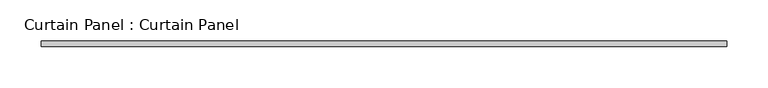
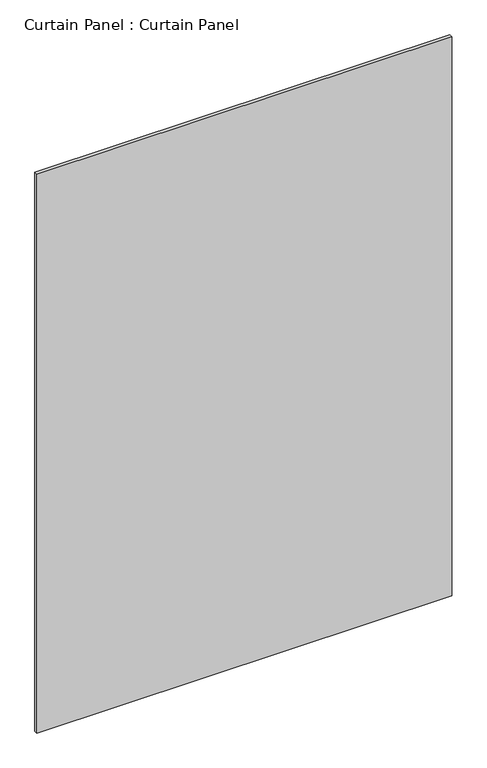
"""IFC4 building model written with IfcOpenShell, lengths in millimetres: plate geometry, Curtain Panel : Curtain Panel."""

from ifc_helpers import new_model, si_unit, origin, origin_with_axes, place, context, project, spatial, polyline, outline, extrude, source, transform, mapped, element, save


def curtain_panel_curtain_panel_95be6aad(model_context):
    return source(origin(), model_context, "Body", "SweptSolid", [
        extrude(outline(polyline([(-16896.8343575, 9468.4705739), (-17725.2848953, 9468.4705739), (-17725.2848953, 9474.8205739), (-16896.8343575, 9474.8205739), (-16896.8343575, 9468.4705739)])), origin_with_axes(), (0.0, 0.0, 1.0), 1180.1114711),
    ])


if __name__ == "__main__":
    model = new_model("IFC4")
    model_context = context("Model", 3, world=origin())
    ifc_project = project(units=[si_unit("LENGTHUNIT", "METRE", prefix="MILLI")], contexts=[model_context])
    site = spatial("IfcSite", under=ifc_project)
    building = spatial("IfcBuilding", under=site)
    placement = place(None, origin())
    curtain_panel_curtain_panel_shape = curtain_panel_curtain_panel_95be6aad(model_context)
    element("IfcPlate", 1, ObjectType="Curtain Panel : Curtain Panel", at=placement, inside=building, context=model_context, shape_type="MappedRepresentation", body=[
        mapped(curtain_panel_curtain_panel_shape, transform((0.0, 0.0, 0.0), x_axis=(1.0, 0.0, 0.0), y_axis=(0.0, 1.0, 0.0), z_axis=(0.0, 0.0, 1.0))),
    ])
    save(model, "model.ifc")
